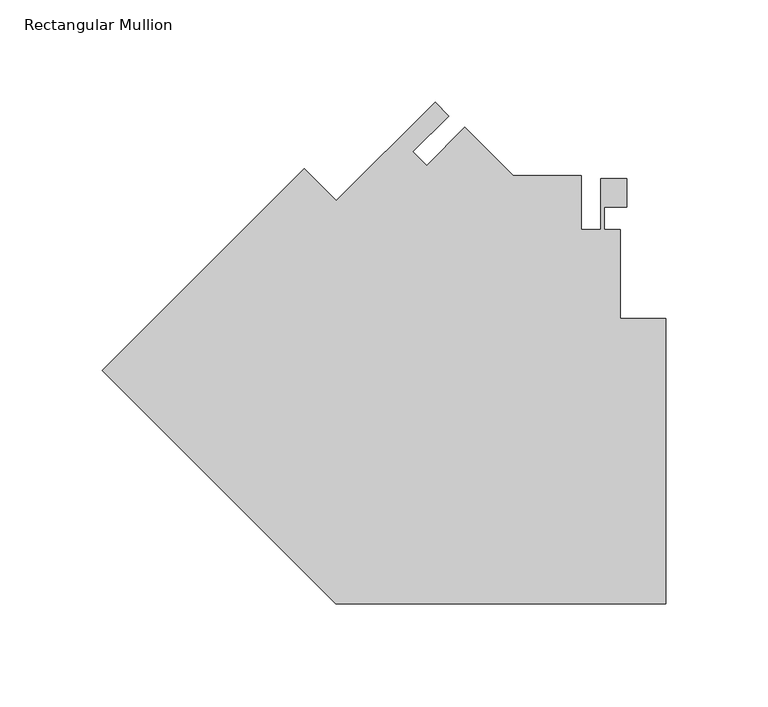
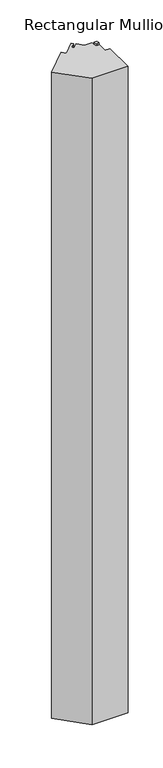
"""IFC4 building model written with IfcOpenShell, lengths in millimetres: member geometry, Rectangular Mullion."""

from ifc_helpers import new_model, si_unit, frame, origin, place, context, project, spatial, polyline, outline, extrude, source, transform, mapped, element, save


def rectangular_mullion_79ef4b53(model_context):
    return source(origin(), model_context, "Body", "SweptSolid", [
        extrude(outline(polyline([(-176.8426853, 117.7006442), (-161.1273172, 101.9852761), (-112.8674247, 150.2451685), (-106.1321526, 143.5098964), (-123.7328762, 125.9091728), (-116.9667355, 119.2047692), (-98.2653682, 137.9061365), (-74.6592316, 114.3), (-41.2751132, 114.3), (-41.2751132, 87.8522727), (-31.75, 87.808618), (-31.75, 112.6998), (-19.05, 112.6998), (-19.05, 98.933), (-30.1625, 98.933), (-30.1625, 87.8158937), (-22.2248869, 87.8158937), (-22.2248869, 44.4500056), (0.0, 44.4500056), (0.0, -95.25), (-161.4576687, -95.25), (-275.6254991, 18.9178305), (-176.8426853, 117.7006442)])), frame((0.0, 0.0, -3048.0), z_axis=(0.0, 0.0, 1.0), x_axis=(1.0, 0.0, 0.0)), (0.0, 0.0, 1.0), 3048.0),
    ])


if __name__ == "__main__":
    model = new_model("IFC4")
    model_context = context("Model", 3, world=origin())
    ifc_project = project(units=[si_unit("LENGTHUNIT", "METRE", prefix="MILLI")], contexts=[model_context])
    site = spatial("IfcSite", under=ifc_project)
    building = spatial("IfcBuilding", under=site)
    placement = place(None, origin())
    rectangular_mullion_shape = rectangular_mullion_79ef4b53(model_context)
    element("IfcMember", 1, ObjectType="Rectangular Mullion", at=placement, inside=building, context=model_context, shape_type="MappedRepresentation", body=[
        mapped(rectangular_mullion_shape, transform((0.0, 0.0, 0.0), x_axis=(1.0, 0.0, 0.0), y_axis=(0.0, 1.0, 0.0), z_axis=(0.0, 0.0, 1.0))),
    ])
    save(model, "model.ifc")
